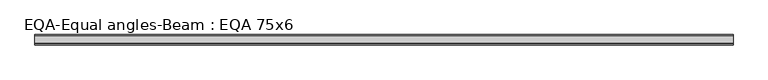
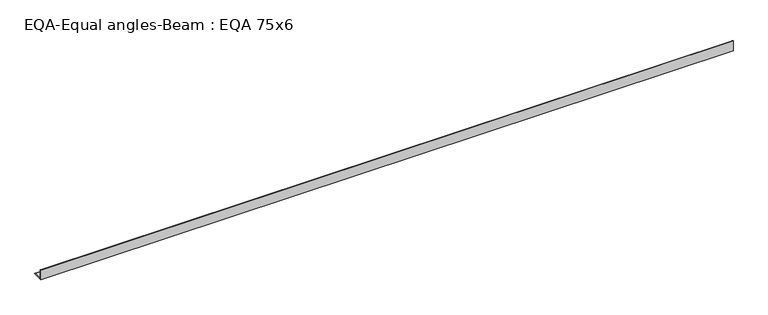
"""IFC4 building model written with IfcOpenShell, lengths in millimetres: beam geometry, EQA-Equal angles-Beam : EQA 75x6."""

import ifcopenshell
import ifcopenshell.guid

model = None  # the IFC model being written
_history = None  # IfcOwnerHistory: only IFC2X3 demands one
_inside = {}  # id of a spatial element -> (the spatial element, [elements in it])
_under = {}  # id of a project, library or spatial element -> (it, [spatial elements below it])
_declared = {}  # id of a project -> (the project, [libraries it declares])
_typed = {}  # id of a type object -> (the type object, [elements of that type])
_made_of = {}  # id of a material, layer set ... -> (it, [elements and type objects made of it])


def new_model(schema):
    """Start an empty IFC model of exactly this schema.

    Asked for "IFC4X3", IfcOpenShell would pick the latest addendum, in which some entities
    have other attributes; the version numbers below select the first issue.
    IFC2X3 requires an IfcOwnerHistory on every rooted entity: one is made here for all.
    """
    global model, _history
    if schema == "IFC4X3":
        model = ifcopenshell.file(schema_version=(4, 3, 0, 0))
    else:
        model = ifcopenshell.file(schema=schema)
    _inside.clear()
    _under.clear()
    _declared.clear()
    _typed.clear()
    _made_of.clear()
    _history = None
    if model.schema == "IFC2X3":
        org = make("IfcOrganization", Name="unknown")
        user = make(
            "IfcPersonAndOrganization",
            ThePerson=make("IfcPerson", FamilyName="unknown"),
            TheOrganization=org,
        )
        app = make(
            "IfcApplication",
            ApplicationDeveloper=org,
            Version="unknown",
            ApplicationFullName="unknown",
            ApplicationIdentifier="unknown",
        )
        _history = make(
            "IfcOwnerHistory",
            OwningUser=user,
            OwningApplication=app,
            ChangeAction="ADDED",
            CreationDate=0,
        )
    return model


def make(cls, **values):
    """One entity of the class cls with the attributes given. An attribute that is None is left unset."""
    return model.create_entity(
        cls, **{name: value for name, value in values.items() if value is not None}
    )


def rooted(cls, **values):
    """An entity with a GlobalId (a new one), such as an element, a storey or a relation."""
    return make(cls, GlobalId=ifcopenshell.guid.new(), OwnerHistory=_history, **values)


def si_unit(unit_type, name, prefix=None):
    """IfcSIUnit, for example si_unit("LENGTHUNIT", "METRE", prefix="MILLI")."""
    return make("IfcSIUnit", UnitType=unit_type, Prefix=prefix, Name=name)


def assignment(units):
    """IfcUnitAssignment: the units of a project."""
    return None if units is None else make("IfcUnitAssignment", Units=units)


def point(xyz):
    """IfcCartesianPoint."""
    return None if xyz is None else make("IfcCartesianPoint", Coordinates=xyz)


def direction(xyz):
    """IfcDirection."""
    return None if xyz is None else make("IfcDirection", DirectionRatios=xyz)


def frame(location, z_axis=None, x_axis=None):
    """IfcAxis2Placement3D, a coordinate frame: its origin and axes. An axis left out is left unset."""
    return make(
        "IfcAxis2Placement3D",
        Location=point(location),
        Axis=direction(z_axis),
        RefDirection=direction(x_axis),
    )


def frame_2d(location, x_axis=None):
    """IfcAxis2Placement2D, a coordinate frame in the plane: its origin and x axis."""
    return make(
        "IfcAxis2Placement2D", Location=point(location), RefDirection=direction(x_axis)
    )


def origin():
    """The frame at (0, 0, 0) with its axes left unset."""
    return frame((0.0, 0.0, 0.0))


def place(relative_to, where):
    """IfcLocalPlacement: puts the frame where relative to a parent placement (None: the world)."""
    return make(
        "IfcLocalPlacement", PlacementRelTo=relative_to, RelativePlacement=where
    )


def context(
    kind, dimensions, precision=None, world=None, true_north=None, identifier=None
):
    """IfcGeometricRepresentationContext, for example the 3D "Model" context."""
    return make(
        "IfcGeometricRepresentationContext",
        ContextIdentifier=identifier,
        ContextType=kind,
        CoordinateSpaceDimension=dimensions,
        Precision=precision,
        WorldCoordinateSystem=world,
        TrueNorth=true_north,
    )


def project(units=None, contexts=None):
    """IfcProject with its units and contexts."""
    return rooted(
        "IfcProject",
        Name="project",
        RepresentationContexts=contexts,
        UnitsInContext=assignment(units),
    )


def spatial(cls, under=None, at=None, **own):
    """A site, building, storey or space (cls), placed at a placement, below another one or the project."""
    s = rooted(cls, ObjectPlacement=at, **own)
    if under is not None:
        _under.setdefault(under.id(), (under, []))[1].append(s)
    return s


def polyline(points):
    """IfcPolyline through the points."""
    return make("IfcPolyline", Points=[point(p) for p in points])


def circle_curve(where, radius):
    """IfcCircle in the frame where."""
    return make("IfcCircle", Position=where, Radius=radius)


def trimmed(basis, trim1, trim2, sense, master):
    """IfcTrimmedCurve: the piece of a basis curve between two trims."""
    return make(
        "IfcTrimmedCurve",
        BasisCurve=basis,
        Trim1=trim1,
        Trim2=trim2,
        SenseAgreement=sense,
        MasterRepresentation=master,
    )


def segment(curve, same_sense, transition):
    """IfcCompositeCurveSegment."""
    return make(
        "IfcCompositeCurveSegment",
        Transition=transition,
        SameSense=same_sense,
        ParentCurve=curve,
    )


def composite_curve(segments, self_intersect=None):
    """IfcCompositeCurve: segments joined end to end."""
    return make("IfcCompositeCurve", Segments=segments, SelfIntersect=self_intersect)


def outline(outer, holes=None, kind="AREA"):
    """IfcArbitraryClosedProfileDef: a profile drawn as a closed curve; with holes, ...WithVoids."""
    if holes is None:
        return make("IfcArbitraryClosedProfileDef", ProfileType=kind, OuterCurve=outer)
    return make(
        "IfcArbitraryProfileDefWithVoids",
        ProfileType=kind,
        OuterCurve=outer,
        InnerCurves=holes,
    )


def extrude(swept, where, along, depth):
    """IfcExtrudedAreaSolid: the profile swept, set in the frame where, extruded along a direction by depth."""
    return make(
        "IfcExtrudedAreaSolid",
        SweptArea=swept,
        Position=where,
        ExtrudedDirection=direction(along),
        Depth=depth,
    )


def shape(context_of_items, identifier, shape_type, items):
    """IfcShapeRepresentation: the items that make up one representation, for example the "Body"."""
    return make(
        "IfcShapeRepresentation",
        ContextOfItems=context_of_items,
        RepresentationIdentifier=identifier,
        RepresentationType=shape_type,
        Items=items,
    )


def source(mapping_origin, context_of_items, identifier, shape_type, items):
    """IfcRepresentationMap: a shape defined once, which mapped items show again and again."""
    return make(
        "IfcRepresentationMap",
        MappingOrigin=mapping_origin,
        MappedRepresentation=shape(context_of_items, identifier, shape_type, items),
    )


def transform(
    local_origin,
    x_axis=None,
    y_axis=None,
    z_axis=None,
    scale=None,
    scale2=None,
    scale3=None,
    uniform=True,
):
    """IfcCartesianTransformationOperator3D, or its non-uniform kind. x_axis, y_axis, z_axis: its Axis1, 2, 3."""
    if uniform:
        return make(
            "IfcCartesianTransformationOperator3D",
            Axis1=direction(x_axis),
            Axis2=direction(y_axis),
            LocalOrigin=point(local_origin),
            Scale=scale,
            Axis3=direction(z_axis),
        )
    return make(
        "IfcCartesianTransformationOperator3DnonUniform",
        Axis1=direction(x_axis),
        Axis2=direction(y_axis),
        LocalOrigin=point(local_origin),
        Scale=scale,
        Axis3=direction(z_axis),
        Scale2=scale2,
        Scale3=scale3,
    )


def mapped(mapping_source, mapping_target):
    """IfcMappedItem: shows the shape of a source again, moved by a transform."""
    return make(
        "IfcMappedItem", MappingSource=mapping_source, MappingTarget=mapping_target
    )


def made_of(thing, what):
    """Note that an element or type object is made of a material, layer set ...; save() writes the relation."""
    if what is not None:
        _made_of.setdefault(what.id(), (what, []))[1].append(thing)
    return thing


def element(
    cls,
    number,
    at=None,
    inside=None,
    cuts=None,
    type_object=None,
    material=None,
    context=None,
    identifier="Body",
    shape_type=None,
    held_by="IfcProductDefinitionShape",
    body=None,
    shapes=None,
    **own,
):
    """One element of the class cls, such as IfcWall. Its Tag is "e" and its number.

    at: its placement. inside: the storey or other place that contains it. cuts: it is an
    opening in that element (IfcRelVoidsElement). A single representation is given by context,
    identifier, shape_type and body (its items); several are given by shapes. held_by: the class
    of the entity that holds the representations. save() writes the other relations.
    """
    e = rooted(cls, Tag="e%d" % number, ObjectPlacement=at, **own)
    if body is not None:
        shapes = [shape(context, identifier, shape_type, body)]
    if shapes is not None:
        e.Representation = make(held_by, Representations=shapes)
    if inside is not None:
        _inside.setdefault(inside.id(), (inside, []))[1].append(e)
    if cuts is not None:
        rooted(
            "IfcRelVoidsElement", RelatingBuildingElement=cuts, RelatedOpeningElement=e
        )
    if type_object is not None:
        _typed.setdefault(type_object.id(), (type_object, []))[1].append(e)
    return made_of(e, material)


def aggregate(whole, parts):
    """IfcRelAggregates: a whole, such as a stair, and the parts it consists of."""
    return rooted("IfcRelAggregates", RelatingObject=whole, RelatedObjects=parts)


def save(model, path):
    """Write the relations noted so far, then the file.

    IfcRelAggregates (storeys below a building ...), IfcRelContainedInSpatialStructure (elements
    in a storey), IfcRelDefinesByType, IfcRelAssociatesMaterial and IfcRelDeclares: one each for
    every whole, place, type object, material and project.
    """
    for whole, parts in _under.values():
        aggregate(whole, parts)
    for where, things in _inside.values():
        rooted(
            "IfcRelContainedInSpatialStructure",
            RelatedElements=things,
            RelatingStructure=where,
        )
    for kind, things in _typed.values():
        rooted("IfcRelDefinesByType", RelatedObjects=things, RelatingType=kind)
    for what, things in _made_of.values():
        rooted("IfcRelAssociatesMaterial", RelatedObjects=things, RelatingMaterial=what)
    for by, libraries in _declared.values():
        rooted("IfcRelDeclares", RelatingContext=by, RelatedDefinitions=libraries)
    model.write(path)


def eqa_equal_angles_beam_eqa_75x6_5122a191(model_context):
    return source(origin(), model_context, "Body", "SweptSolid", [
        extrude(outline(composite_curve([segment(polyline([(-20.5, -20.5), (-20.5, 54.5), (-19.0, 54.5)]), True, "CONTINUOUS"), segment(trimmed(circle_curve(frame_2d((-19.0, 50.0)), 4.5), [point((-19.0, 54.5))], [point((-14.5, 50.0))], False, "CARTESIAN"), True, "CONTINUOUS"), segment(polyline([(-14.5, 50.0), (-14.5, -5.5)]), True, "CONTINUOUS"), segment(trimmed(circle_curve(frame_2d((-5.5, -5.5)), 9.0), [point((-14.5, -5.5))], [point((-5.5, -14.5))], True, "CARTESIAN"), True, "CONTINUOUS"), segment(polyline([(-5.5, -14.5), (50.0, -14.5)]), True, "CONTINUOUS"), segment(trimmed(circle_curve(frame_2d((50.0, -19.0)), 4.5), [point((50.0, -14.5))], [point((54.5, -19.0))], False, "CARTESIAN"), True, "CONTINUOUS"), segment(polyline([(54.5, -19.0), (54.5, -20.5), (-20.5, -20.5)]), True, "CONTINUOUS")], self_intersect=False)), frame((-2456.8551878, 0.0, 0.0), z_axis=(1.0, 0.0, 0.0), x_axis=(0.0, 1.0, 0.0)), (0.0, 0.0, 1.0), 5030.7970029),
    ])


if __name__ == "__main__":
    model = new_model("IFC4")
    model_context = context("Model", 3, world=origin())
    ifc_project = project(units=[si_unit("LENGTHUNIT", "METRE", prefix="MILLI")], contexts=[model_context])
    site = spatial("IfcSite", under=ifc_project)
    building = spatial("IfcBuilding", under=site)
    placement = place(None, origin())
    eqa_equal_angles_beam_eqa_75x6_shape = eqa_equal_angles_beam_eqa_75x6_5122a191(model_context)
    element("IfcBeam", 1, ObjectType="EQA-Equal angles-Beam : EQA 75x6", at=placement, inside=building, context=model_context, shape_type="MappedRepresentation", body=[
        mapped(eqa_equal_angles_beam_eqa_75x6_shape, transform((0.0, 0.0, 0.0), x_axis=(1.0, 0.0, 0.0), y_axis=(0.0, 1.0, 0.0), z_axis=(0.0, 0.0, 1.0))),
    ])
    save(model, "model.ifc")
